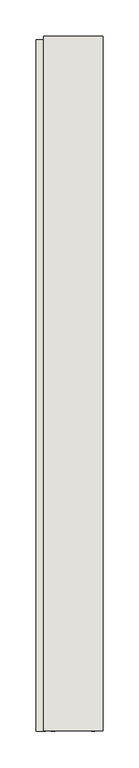
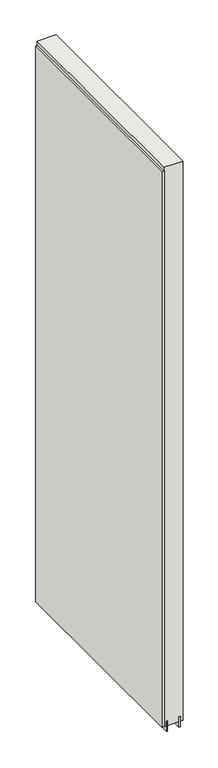
"""IFC4 building model written with IfcOpenShell, lengths in millimetres: wall geometry."""

from ifc_helpers import new_model, si_unit, frame, origin, place, context, project, spatial, polyline, outline, extrude, source, transform, mapped, element, save


def wall_833abad6(model_context):
    return source(origin(), model_context, "Body", "SweptSolid", [
        extrude(outline(polyline([(53242.882211, -45707.9647688), (53242.882211, -45710.5047688), (53240.342211, -45710.5047688), (53240.342211, -45707.9647688), (53242.882211, -45707.9647688)])), frame((0.0, 0.0, 4419.6), z_axis=(0.0, 0.0, 1.0), x_axis=(1.0, 0.0, 0.0)), (0.0, 0.0, 1.0), 2.54),
        extrude(outline(polyline([(53190.812211, -46662.1653242), (53190.812211, -45712.4318922), (53203.512211, -45712.4318922), (53203.512211, -46662.1653242), (53190.812211, -46662.1653242)])), frame((0.0, 0.0, 4445.0), z_axis=(0.0, 0.0, 1.0), x_axis=(1.0, 0.0, 0.0)), (0.0, 0.0, 1.0), 2545.0498756),
        extrude(outline(polyline([(53216.5284664, -45707.9604254), (53216.5284664, -46661.7037554), (53211.449711, -46661.7037554), (53211.449711, -45707.9604254), (53216.5284664, -45707.9604254)])), frame((0.0, 0.0, 4418.6602), z_axis=(0.0, 0.0, 1.0), x_axis=(1.0, 0.0, 0.0)), (0.0, 0.0, 1.0), 47.625),
        extrude(outline(polyline([(53216.5284664, -45707.9604254), (53216.5284664, -46661.7037554), (53211.449711, -46661.7037554), (53211.449711, -45707.9604254), (53216.5284664, -45707.9604254)])), frame((0.0, 0.0, 4418.6602), z_axis=(0.0, 0.0, 1.0), x_axis=(1.0, 0.0, 0.0)), (0.0, 0.0, 1.0), 47.625),
        extrude(outline(polyline([(53266.6959556, -46661.7037554), (53266.6959556, -45707.9604254), (53271.774711, -45707.9604254), (53271.774711, -46661.7037554), (53266.6959556, -46661.7037554)])), frame((0.0, 0.0, 4418.6602), z_axis=(0.0, 0.0, 1.0), x_axis=(1.0, 0.0, 0.0)), (0.0, 0.0, 1.0), 47.625),
        extrude(outline(polyline([(53266.6959556, -46661.7037554), (53266.6959556, -45707.9604254), (53271.774711, -45707.9604254), (53271.774711, -46661.7037554), (53266.6959556, -46661.7037554)])), frame((0.0, 0.0, 4418.6602), z_axis=(0.0, 0.0, 1.0), x_axis=(1.0, 0.0, 0.0)), (0.0, 0.0, 1.0), 47.625),
        extrude(outline(polyline([(53200.9573266, -45707.9604254), (53282.2670954, -45707.9604254), (53282.2670954, -46661.7037554), (53200.9573266, -46661.7037554), (53200.9573266, -45707.9604254)])), frame((0.0, 0.0, 4445.0), z_axis=(0.0, 0.0, 1.0), x_axis=(1.0, 0.0, 0.0)), (0.0, 0.0, 1.0), 2562.4536762),
    ])


if __name__ == "__main__":
    model = new_model("IFC4")
    model_context = context("Model", 3, world=origin())
    ifc_project = project(units=[si_unit("LENGTHUNIT", "METRE", prefix="MILLI")], contexts=[model_context])
    site = spatial("IfcSite", under=ifc_project)
    building = spatial("IfcBuilding", under=site)
    placement = place(None, origin())
    wall_shape = wall_833abad6(model_context)
    element("IfcWall", 1, at=placement, inside=building, context=model_context, shape_type="MappedRepresentation", body=[
        mapped(wall_shape, transform((0.0, 0.0, 0.0), x_axis=(1.0, 0.0, 0.0), y_axis=(0.0, 1.0, 0.0), z_axis=(0.0, 0.0, 1.0))),
    ])
    save(model, "model.ifc")
